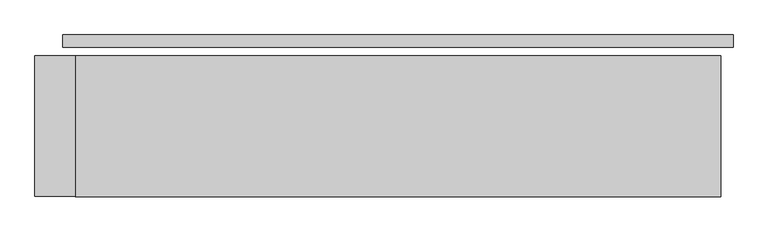
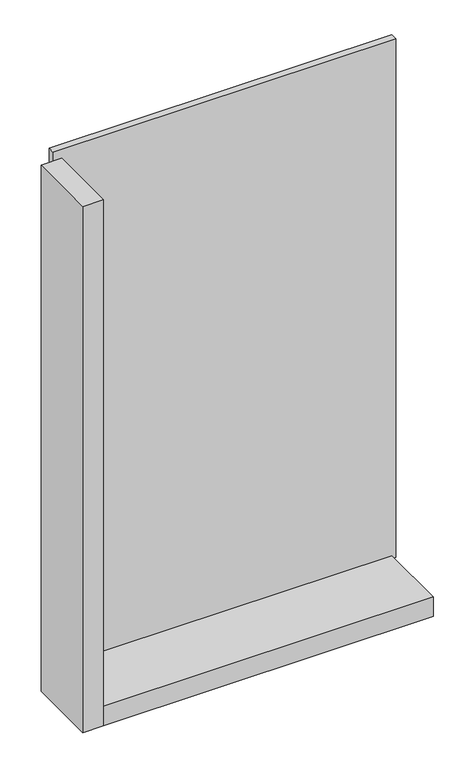
"""IFC4 building model written with IfcOpenShell, lengths in millimetres: plate geometry."""

from ifc_helpers import new_model, si_unit, frame, origin, origin_with_axes, place, context, project, spatial, polyline, outline, extrude, source, transform, mapped, element, save


def plate_4849d20f(model_context):
    return source(origin(), model_context, "Body", "SweptSolid", [
        extrude(outline(polyline([(666.0, 0.0), (666.0, -25.0), (-666.0, -25.0), (-666.0, 0.0), (666.0, 0.0)])), origin_with_axes(), (0.0, 0.0, 1.0), 2132.0),
        extrude(outline(polyline([(-641.0, -41.0), (-641.0, -321.0), (-721.0, -321.0), (-721.0, -41.0), (-641.0, -41.0)])), frame((0.0, 0.0, -55.0), z_axis=(0.0, 0.0, 1.0), x_axis=(1.0, 0.0, 0.0)), (0.0, 0.0, 1.0), 2162.0),
        extrude(outline(polyline([(641.0, -321.0), (-641.0, -321.0), (-641.0, -41.0), (641.0, -41.0), (641.0, -321.0)])), frame((0.0, 0.0, -55.0), z_axis=(0.0, 0.0, 1.0), x_axis=(1.0, 0.0, 0.0)), (0.0, 0.0, 1.0), 80.0),
    ])


if __name__ == "__main__":
    model = new_model("IFC4")
    model_context = context("Model", 3, world=origin())
    ifc_project = project(units=[si_unit("LENGTHUNIT", "METRE", prefix="MILLI")], contexts=[model_context])
    site = spatial("IfcSite", under=ifc_project)
    building = spatial("IfcBuilding", under=site)
    placement = place(None, origin())
    plate_shape = plate_4849d20f(model_context)
    element("IfcPlate", 1, at=placement, inside=building, context=model_context, shape_type="MappedRepresentation", body=[
        mapped(plate_shape, transform((0.0, 0.0, 0.0), x_axis=(1.0, 0.0, 0.0), y_axis=(0.0, 1.0, 0.0), z_axis=(0.0, 0.0, 1.0))),
    ])
    save(model, "model.ifc")
